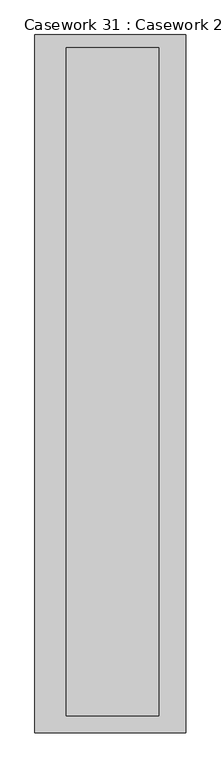
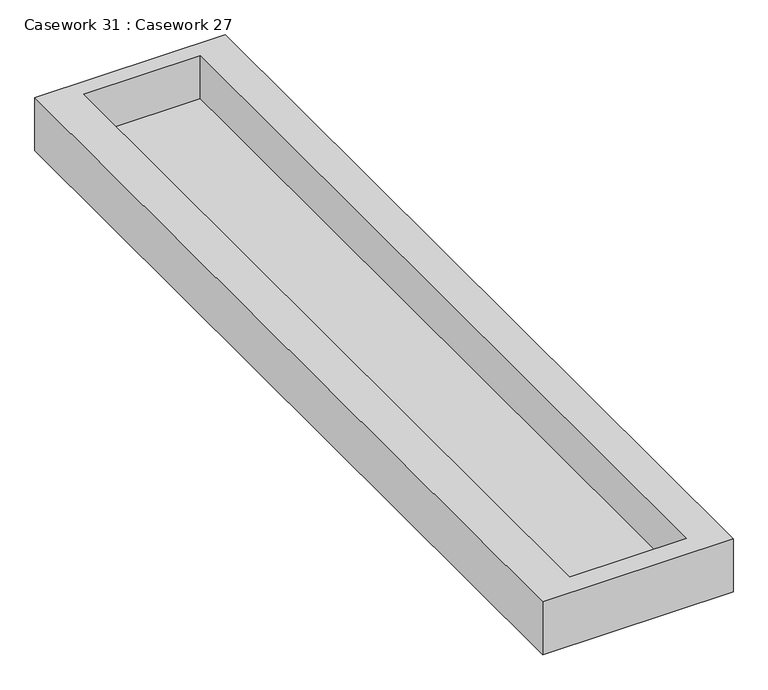
"""IFC4 building model written with IfcOpenShell, lengths in millimetres: furniture geometry, Casework 31 : Casework 27."""

from ifc_helpers import new_model, si_unit, origin, place, context, project, spatial, faceted_brep, source, transform, mapped, element, save


def casework_31_casework_27_f56fc15d(model_context):
    return source(origin(), model_context, "Body", "Brep", [
        faceted_brep([(-24663.4191157, 27142.8358422, -5927.1885584), (-24663.4191157, 29682.8358422, -5927.1885584), (-24113.9596257, 29682.8358422, -5927.1885584), (-24113.9596257, 27142.8358422, -5927.1885584), (-24663.4191157, 27142.8358422, -5765.6422207), (-24113.9596257, 27142.8358422, -5765.6422207), (-24113.9596257, 29682.8358422, -5765.6422207), (-24663.4191157, 29682.8358422, -5765.6422207), (-24213.4115415, 27203.8306656, -5765.6422207), (-24549.9615415, 27203.8306656, -5765.6422207), (-24549.9615415, 29635.8806656, -5765.6422207), (-24213.4115415, 29635.8806656, -5765.6422207), (-24213.4115415, 27203.8306656, -5897.443699), (-24213.4115415, 29635.8806656, -5897.443699), (-24549.9615415, 29635.8806656, -5897.443699), (-24549.9615415, 27203.8306656, -5897.443699)], [[[0, 1, 2, 3]], [[4, 5, 6, 7], [8, 9, 10, 11]], [[1, 0, 4, 7]], [[2, 1, 7, 6]], [[3, 2, 6, 5]], [[0, 3, 5, 4]], [[12, 13, 14, 15]], [[12, 15, 9, 8]], [[15, 14, 10, 9]], [[14, 13, 11, 10]], [[13, 12, 8, 11]]]),
    ])


if __name__ == "__main__":
    model = new_model("IFC4")
    model_context = context("Model", 3, world=origin())
    ifc_project = project(units=[si_unit("LENGTHUNIT", "METRE", prefix="MILLI")], contexts=[model_context])
    site = spatial("IfcSite", under=ifc_project)
    building = spatial("IfcBuilding", under=site)
    placement = place(None, origin())
    casework_31_casework_27_shape = casework_31_casework_27_f56fc15d(model_context)
    element("IfcFurniture", 1, ObjectType="Casework 31 : Casework 27", at=placement, inside=building, context=model_context, shape_type="MappedRepresentation", body=[
        mapped(casework_31_casework_27_shape, transform((0.0, 0.0, 0.0), x_axis=(1.0, 0.0, 0.0), y_axis=(0.0, 1.0, 0.0), z_axis=(0.0, 0.0, 1.0))),
    ])
    save(model, "model.ifc")
